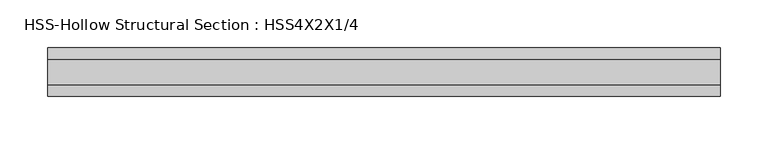
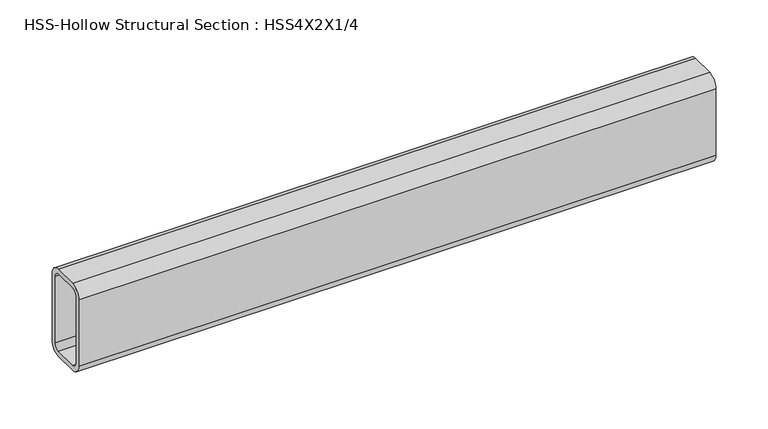
"""IFC4 building model written with IfcOpenShell, lengths in millimetres: beam geometry, HSS-Hollow Structural Section : HSS4X2X1/4."""

from ifc_helpers import new_model, si_unit, point, frame, frame_2d, origin, place, context, project, spatial, polyline, circle_curve, trimmed, segment, composite_curve, outline, extrude, source, transform, mapped, element, save


def hss_hollow_structural_section_hss4x2x1_4_dd0a271e(model_context):
    return source(origin(), model_context, "Body", "SweptSolid", [
        extrude(outline(composite_curve([segment(polyline([(25.4, 38.9636), (25.4, -38.9636)]), True, "CONTINUOUS"), segment(trimmed(circle_curve(frame_2d((13.5636, -38.9636)), 11.8364), [point((25.4, -38.9636))], [point((13.5636, -50.8))], False, "CARTESIAN"), True, "CONTINUOUS"), segment(polyline([(13.5636, -50.8), (-13.5636, -50.8)]), True, "CONTINUOUS"), segment(trimmed(circle_curve(frame_2d((-13.5636, -38.9636)), 11.8364), [point((-13.5636, -50.8))], [point((-25.4, -38.9636))], False, "CARTESIAN"), True, "CONTINUOUS"), segment(polyline([(-25.4, -38.9636), (-25.4, 38.9636)]), True, "CONTINUOUS"), segment(trimmed(circle_curve(frame_2d((-13.5636, 38.9636)), 11.8364), [point((-25.4, 38.9636))], [point((-13.5636, 50.8))], False, "CARTESIAN"), True, "CONTINUOUS"), segment(polyline([(-13.5636, 50.8), (13.5636, 50.8)]), True, "CONTINUOUS"), segment(trimmed(circle_curve(frame_2d((13.5636, 38.9636)), 11.8364), [point((13.5636, 50.8))], [point((25.4, 38.9636))], False, "CARTESIAN"), True, "CONTINUOUS")], self_intersect=False), holes=[composite_curve([segment(trimmed(circle_curve(frame_2d((-13.5636, 38.9636)), 5.9182), [point((-13.5636, 44.8818))], [point((-19.4818, 38.9636))], True, "CARTESIAN"), True, "CONTINUOUS"), segment(polyline([(-19.4818, 38.9636), (-19.4818, -38.9636)]), True, "CONTINUOUS"), segment(trimmed(circle_curve(frame_2d((-13.5636, -38.9636)), 5.9182), [point((-19.4818, -38.9636))], [point((-13.5636, -44.8818))], True, "CARTESIAN"), True, "CONTINUOUS"), segment(polyline([(-13.5636, -44.8818), (13.5636, -44.8818)]), True, "CONTINUOUS"), segment(trimmed(circle_curve(frame_2d((13.5636, -38.9636)), 5.9182), [point((13.5636, -44.8818))], [point((19.4818, -38.9636))], True, "CARTESIAN"), True, "CONTINUOUS"), segment(polyline([(19.4818, -38.9636), (19.4818, 38.9636)]), True, "CONTINUOUS"), segment(trimmed(circle_curve(frame_2d((13.5636, 38.9636)), 5.9182), [point((19.4818, 38.9636))], [point((13.5636, 44.8818))], True, "CARTESIAN"), True, "CONTINUOUS"), segment(polyline([(13.5636, 44.8818), (-13.5636, 44.8818)]), True, "CONTINUOUS")], self_intersect=False)]), frame((-352.425, 0.0, 0.0), z_axis=(1.0, 0.0, 0.0), x_axis=(0.0, 1.0, 0.0)), (0.0, 0.0, 1.0), 704.8500006),
    ])


if __name__ == "__main__":
    model = new_model("IFC4")
    model_context = context("Model", 3, world=origin())
    ifc_project = project(units=[si_unit("LENGTHUNIT", "METRE", prefix="MILLI")], contexts=[model_context])
    site = spatial("IfcSite", under=ifc_project)
    building = spatial("IfcBuilding", under=site)
    placement = place(None, origin())
    hss_hollow_structural_section_hss4x2x1_4_shape = hss_hollow_structural_section_hss4x2x1_4_dd0a271e(model_context)
    element("IfcBeam", 1, ObjectType="HSS-Hollow Structural Section : HSS4X2X1/4", at=placement, inside=building, context=model_context, shape_type="MappedRepresentation", body=[
        mapped(hss_hollow_structural_section_hss4x2x1_4_shape, transform((0.0, 0.0, 0.0), x_axis=(1.0, 0.0, 0.0), y_axis=(0.0, 1.0, 0.0), z_axis=(0.0, 0.0, 1.0))),
    ])
    save(model, "model.ifc")
